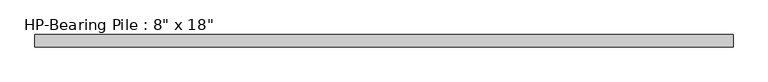
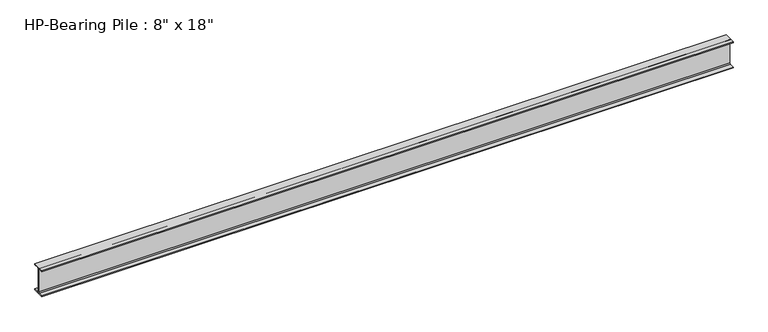
"""IFC4 building model written with IfcOpenShell, lengths in millimetres: beam geometry."""

from ifc_helpers import new_model, si_unit, point, frame, frame_2d, origin, place, context, project, spatial, polyline, circle_curve, trimmed, segment, composite_curve, outline, extrude, source, transform, mapped, element, save


def beam_d23ff825(model_context):
    return source(origin(), model_context, "Body", "SweptSolid", [
        extrude(outline(composite_curve([segment(polyline([(101.6, -215.503125), (101.6, -228.6), (-101.6, -228.6), (-101.6, -215.503125), (-25.2015625, -215.503125)]), True, "CONTINUOUS"), segment(trimmed(circle_curve(frame_2d((-25.2015625, -196.85)), 18.653125), [point((-25.2015625, -215.503125))], [point((-6.5484375, -196.85))], True, "CARTESIAN"), True, "CONTINUOUS"), segment(polyline([(-6.5484375, -196.85), (-6.5484375, 196.85)]), True, "CONTINUOUS"), segment(trimmed(circle_curve(frame_2d((-25.2015625, 196.85)), 18.653125), [point((-6.5484375, 196.85))], [point((-25.2015625, 215.503125))], True, "CARTESIAN"), True, "CONTINUOUS"), segment(polyline([(-25.2015625, 215.503125), (-101.6, 215.503125), (-101.6, 228.6), (101.6, 228.6), (101.6, 215.503125), (25.2015625, 215.503125)]), True, "CONTINUOUS"), segment(trimmed(circle_curve(frame_2d((25.2015625, 196.85)), 18.653125), [point((25.2015625, 215.503125))], [point((6.5484375, 196.85))], True, "CARTESIAN"), True, "CONTINUOUS"), segment(polyline([(6.5484375, 196.85), (6.5484375, -196.85)]), True, "CONTINUOUS"), segment(trimmed(circle_curve(frame_2d((25.2015625, -196.85)), 18.653125), [point((6.5484375, -196.85))], [point((25.2015625, -215.503125))], True, "CARTESIAN"), True, "CONTINUOUS"), segment(polyline([(25.2015625, -215.503125), (101.6, -215.503125)]), True, "CONTINUOUS")], self_intersect=False)), frame((-5770.2610776, 0.0, 0.0), z_axis=(1.0, 0.0, 0.0), x_axis=(0.0, 1.0, 0.0)), (0.0, 0.0, 1.0), 11540.5221551),
    ])


if __name__ == "__main__":
    model = new_model("IFC4")
    model_context = context("Model", 3, world=origin())
    ifc_project = project(units=[si_unit("LENGTHUNIT", "METRE", prefix="MILLI")], contexts=[model_context])
    site = spatial("IfcSite", under=ifc_project)
    building = spatial("IfcBuilding", under=site)
    placement = place(None, origin())
    beam_shape = beam_d23ff825(model_context)
    element("IfcBeam", 1, ObjectType="HP-Bearing Pile : 8\" x 18\"", at=placement, inside=building, context=model_context, shape_type="MappedRepresentation", body=[
        mapped(beam_shape, transform((0.0, 0.0, 0.0), x_axis=(1.0, 0.0, 0.0), y_axis=(0.0, 1.0, 0.0), z_axis=(0.0, 0.0, 1.0))),
    ])
    save(model, "model.ifc")
